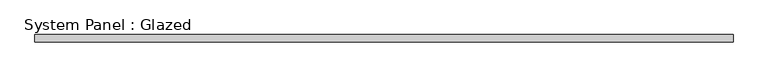
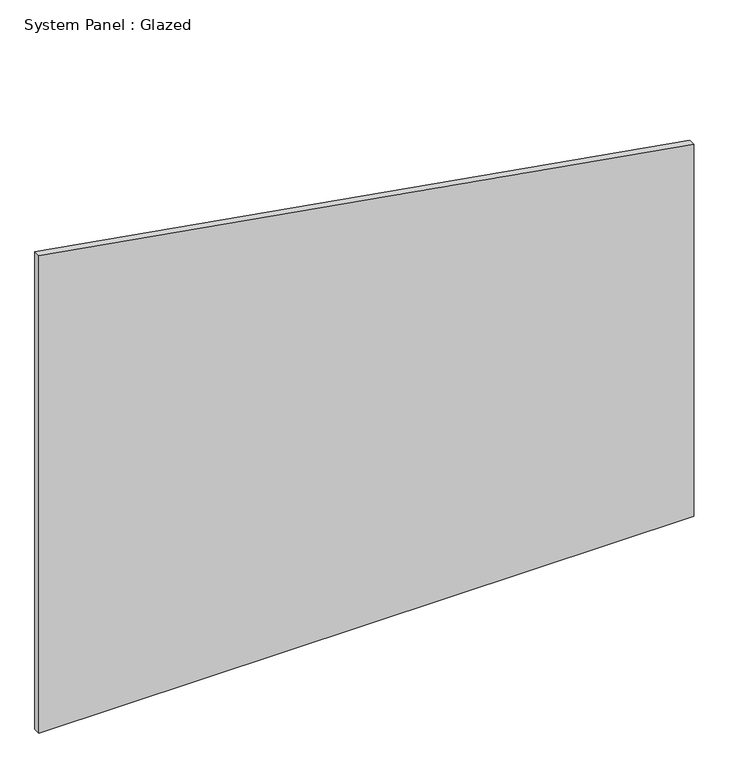
"""IFC4 building model written with IfcOpenShell, lengths in millimetres: plate geometry, System Panel : Glazed."""

from ifc_helpers import new_model, si_unit, frame, origin, place, context, project, spatial, polyline, outline, extrude, source, transform, mapped, element, save


def system_panel_glazed_324e7dc7(model_context):
    return source(origin(), model_context, "Body", "SweptSolid", [
        extrude(outline(polyline([(0.0, -1171.7121958), (0.0, 1171.7121958), (1407.4426839, 1171.7121958), (1805.0953718, -1171.7121958), (0.0, -1171.7121958)])), frame((0.0, 24.5, 0.0), z_axis=(0.0, 1.0, 0.0), x_axis=(0.0, 0.0, 1.0)), (0.0, 0.0, 1.0), 25.0),
    ])


if __name__ == "__main__":
    model = new_model("IFC4")
    model_context = context("Model", 3, world=origin())
    ifc_project = project(units=[si_unit("LENGTHUNIT", "METRE", prefix="MILLI")], contexts=[model_context])
    site = spatial("IfcSite", under=ifc_project)
    building = spatial("IfcBuilding", under=site)
    placement = place(None, origin())
    system_panel_glazed_shape = system_panel_glazed_324e7dc7(model_context)
    element("IfcPlate", 1, ObjectType="System Panel : Glazed", at=placement, inside=building, context=model_context, shape_type="MappedRepresentation", body=[
        mapped(system_panel_glazed_shape, transform((0.0, 0.0, 0.0), x_axis=(1.0, 0.0, 0.0), y_axis=(0.0, 1.0, 0.0), z_axis=(0.0, 0.0, 1.0))),
    ])
    save(model, "model.ifc")
